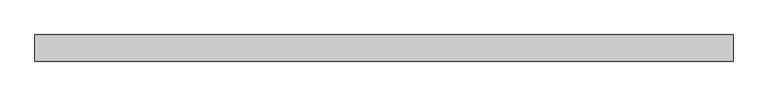
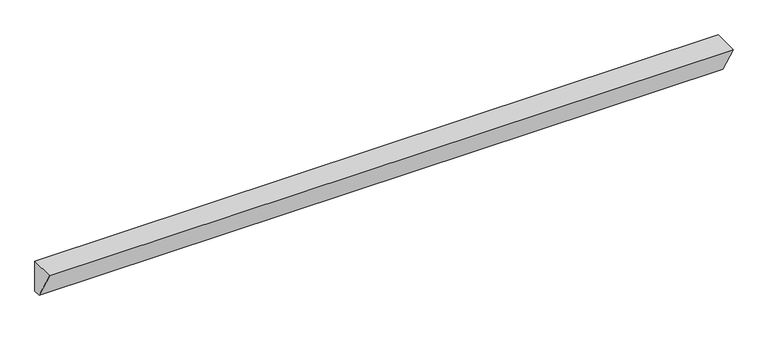
"""IFC4 building model written with IfcOpenShell, lengths in millimetres: beam geometry."""

from ifc_helpers import new_model, si_unit, frame, origin, place, context, project, spatial, polyline, outline, extrude, source, transform, mapped, element, save


def beam_c1d7a5da(model_context):
    return source(origin(), model_context, "Body", "SweptSolid", [
        extrude(outline(polyline([(-80.85, 100.0), (80.85, 100.0), (80.85, -100.0), (34.6200538, -100.0), (-80.85, 100.0)])), frame((-2159.0, 0.0, 0.0), z_axis=(1.0, 0.0, 0.0), x_axis=(0.0, 1.0, 0.0)), (0.0, 0.0, 1.0), 4318.0),
    ])


if __name__ == "__main__":
    model = new_model("IFC4")
    model_context = context("Model", 3, world=origin())
    ifc_project = project(units=[si_unit("LENGTHUNIT", "METRE", prefix="MILLI")], contexts=[model_context])
    site = spatial("IfcSite", under=ifc_project)
    building = spatial("IfcBuilding", under=site)
    placement = place(None, origin())
    beam_shape = beam_c1d7a5da(model_context)
    element("IfcBeam", 1, at=placement, inside=building, context=model_context, shape_type="MappedRepresentation", body=[
        mapped(beam_shape, transform((0.0, 0.0, 0.0), x_axis=(1.0, 0.0, 0.0), y_axis=(0.0, 1.0, 0.0), z_axis=(0.0, 0.0, 1.0))),
    ])
    save(model, "model.ifc")
